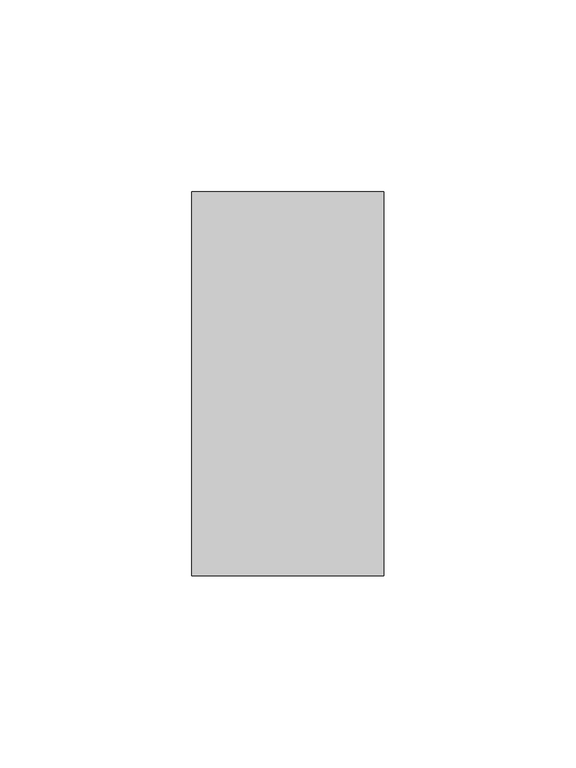
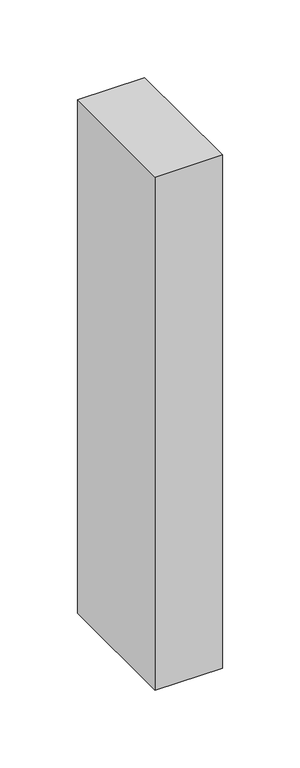
"""IFC4 building model written with IfcOpenShell, lengths in millimetres: member geometry."""

from ifc_helpers import new_model, si_unit, frame, origin, place, context, project, spatial, polyline, outline, extrude, source, transform, mapped, element, save


def member_e3186564(model_context):
    return source(origin(), model_context, "Body", "SweptSolid", [
        extrude(outline(polyline([(25.0, 50.0), (25.0, -50.0), (-25.0, -50.0), (-25.0, 50.0), (25.0, 50.0)])), frame((0.0, 0.0, -403.3552083), z_axis=(0.0, 0.0, 1.0), x_axis=(1.0, 0.0, 0.0)), (0.0, 0.0, 1.0), 403.3552083),
    ])


if __name__ == "__main__":
    model = new_model("IFC4")
    model_context = context("Model", 3, world=origin())
    ifc_project = project(units=[si_unit("LENGTHUNIT", "METRE", prefix="MILLI")], contexts=[model_context])
    site = spatial("IfcSite", under=ifc_project)
    building = spatial("IfcBuilding", under=site)
    placement = place(None, origin())
    member_shape = member_e3186564(model_context)
    element("IfcMember", 1, at=placement, inside=building, context=model_context, shape_type="MappedRepresentation", body=[
        mapped(member_shape, transform((0.0, 0.0, 0.0), x_axis=(1.0, 0.0, 0.0), y_axis=(0.0, 1.0, 0.0), z_axis=(0.0, 0.0, 1.0))),
    ])
    save(model, "model.ifc")
